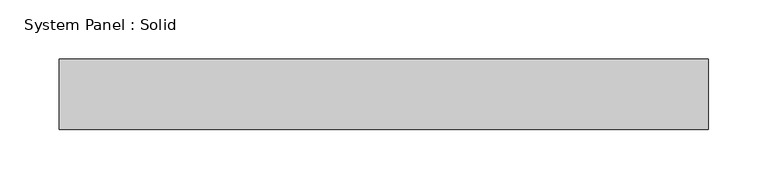
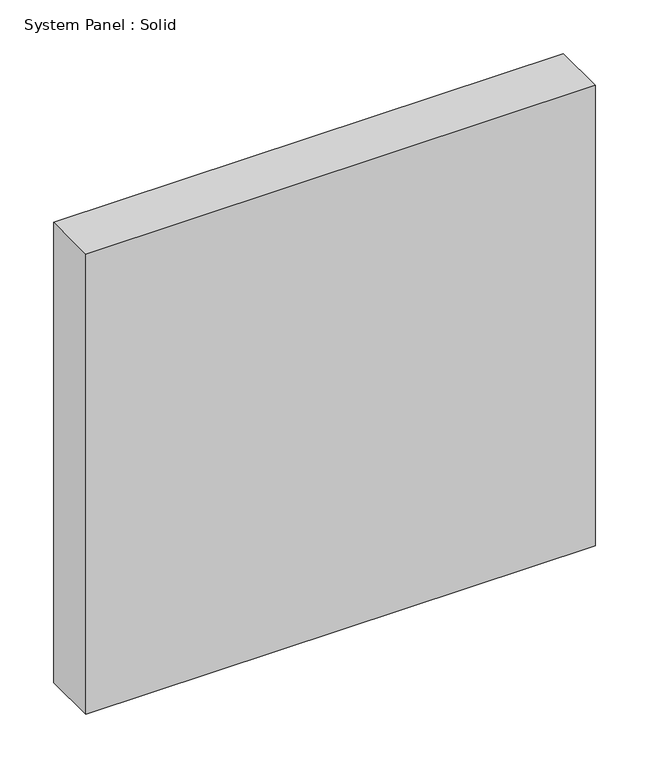
"""IFC4 building model written with IfcOpenShell, lengths in millimetres: plate geometry, System Panel : Solid."""

from ifc_helpers import new_model, si_unit, origin, origin_with_axes, place, context, project, spatial, polyline, outline, extrude, source, transform, mapped, element, save


def system_panel_solid_f9b921b3(model_context):
    return source(origin(), model_context, "Body", "SweptSolid", [
        extrude(outline(polyline([(275.0, -49.5), (-275.0, -49.5), (-275.0, 10.5), (275.0, 10.5), (275.0, -49.5)])), origin_with_axes(), (0.0, 0.0, 1.0), 525.0),
    ])


if __name__ == "__main__":
    model = new_model("IFC4")
    model_context = context("Model", 3, world=origin())
    ifc_project = project(units=[si_unit("LENGTHUNIT", "METRE", prefix="MILLI")], contexts=[model_context])
    site = spatial("IfcSite", under=ifc_project)
    building = spatial("IfcBuilding", under=site)
    placement = place(None, origin())
    system_panel_solid_shape = system_panel_solid_f9b921b3(model_context)
    element("IfcPlate", 1, ObjectType="System Panel : Solid", at=placement, inside=building, context=model_context, shape_type="MappedRepresentation", body=[
        mapped(system_panel_solid_shape, transform((0.0, 0.0, 0.0), x_axis=(1.0, 0.0, 0.0), y_axis=(0.0, 1.0, 0.0), z_axis=(0.0, 0.0, 1.0))),
    ])
    save(model, "model.ifc")
